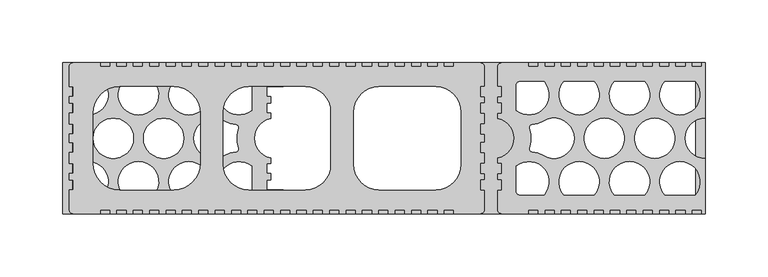
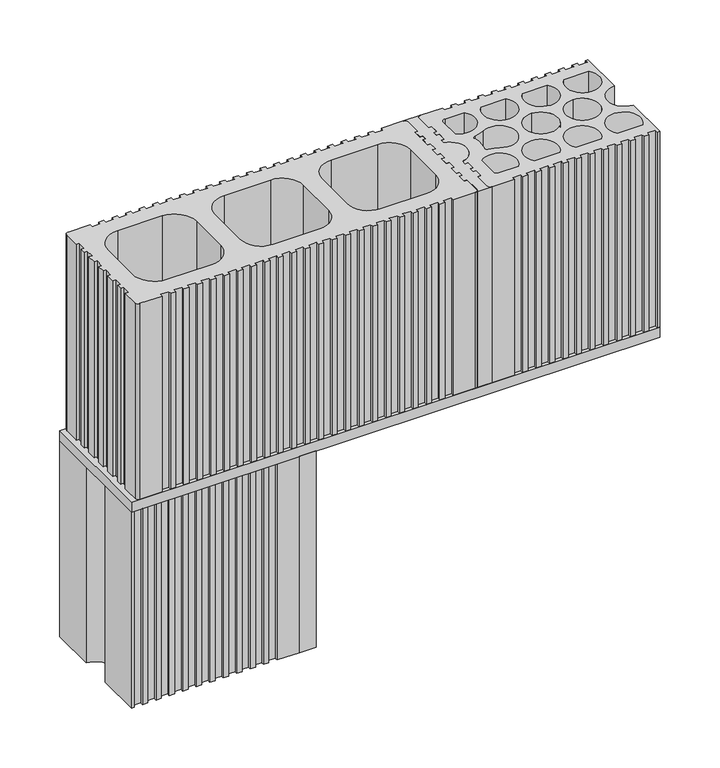
"""IFC4 building model written with IfcOpenShell, lengths in millimetres: plate geometry."""

from ifc_helpers import new_model, si_unit, point, frame, frame_2d, origin, origin_with_axes, place, context, project, spatial, polyline, circle_curve, trimmed, segment, composite_curve, outline, extrude, source, transform, mapped, element, save
from ifc_brep_helpers import plane_surface, cylinder_surface, revolved_surface, advanced_brep


def plate_3e25963e(model_context):
    return source(origin(), model_context, "Body", "SolidModel", [
        advanced_brep(
        [(-89.9998399, -40.9999178, 200.0), (-89.9998399, -56.9998835, 200.0), (-92.9997277, -59.9998788, 200.0), (-76.9999521, -59.9998788, 200.0), (-79.9998399, -56.9998835, 200.0), (-79.9998399, -40.9999178, 200.0), (-89.9998399, -40.9999178, 0.0), (-79.9998399, -40.9999178, 0.0), (-79.9998399, -56.9998835, 0.0), (-76.9999521, -59.9998788, 0.0), (-92.9997277, -59.9998788, 0.0), (-89.9998399, -56.9998835, 0.0)],
        [
            (0, 1),
            (1, 2, circle_curve(frame((-92.9378077, -57.0619088, 200.0), z_axis=(0.0, 0.0, -1.0), x_axis=(1.0, 0.0, 0.0)), 2.9386225)),
            (2, 3),
            (3, 4, circle_curve(frame((-77.0618721, -57.0619088, 200.0), z_axis=(0.0, 0.0, -1.0), x_axis=(1.0, 0.0, 0.0)), 2.9386225)),
            (4, 5),
            (5, 0),
            (6, 7),
            (7, 8),
            (8, 9, circle_curve(frame((-77.0618721, -57.0619088, 0.0), z_axis=(0.0, 0.0, 1.0), x_axis=(1.0, 0.0, 0.0)), 2.9386225)),
            (9, 10),
            (10, 11, circle_curve(frame((-92.9378077, -57.0619088, 0.0), z_axis=(0.0, 0.0, 1.0), x_axis=(1.0, 0.0, 0.0)), 2.9386225)),
            (11, 6),
            (0, 6),
            (11, 1),
            (10, 2),
            (9, 3),
            (8, 4),
            (7, 5),
        ],
        [
            plane_surface(frame((-89.9998399, -56.9998835, 200.0), z_axis=(0.0, 0.0, 1.0), x_axis=(0.0, -1.0, 0.0))),
            plane_surface(frame((-89.9998399, -56.9998835, 0.0), z_axis=(0.0, 0.0, -1.0), x_axis=(0.0, 1.0, 0.0))),
            plane_surface(frame((-89.9998399, -40.9999178, 200.0), z_axis=(-1.0, 0.0, 0.0), x_axis=(0.0, 0.0, -1.0))),
            revolved_surface(polyline([(-89.9991852, -57.0619088, 0.0), (-89.9991852, -57.0619088, 200.0)]), (-92.9378077, -57.0619088, 0.0), (0.0, 0.0, -1.0)),
            plane_surface(frame((-92.9997277, -59.9998788, 200.0), z_axis=(0.0, -1.0, 0.0), x_axis=(0.0, 0.0, -1.0))),
            revolved_surface(polyline([(-74.12324960000001, -57.0619088, 0.0), (-74.12324960000001, -57.0619088, 200.0)]), (-77.0618721, -57.0619088, 0.0), (0.0, 0.0, -1.0)),
            plane_surface(frame((-79.9998399, -56.9998835, 200.0), z_axis=(1.0, 0.0, 0.0), x_axis=(0.0, 0.0, -1.0))),
            plane_surface(frame((-79.9998399, -40.9999178, 200.0), z_axis=(0.0, 1.0, 0.0), x_axis=(0.0, 0.0, -1.0))),
        ],
        [
            (0, [[1, 2, 3, 4, 5, 6]]),
            (1, [[7, 8, 9, 10, 11, 12]]),
            (2, [[-1, 13, -12, 14]]),
            (3, [[-2, -14, -11, 15]]),
            (4, [[-3, -15, -10, 16]]),
            (5, [[-4, -16, -9, 17]]),
            (6, [[-5, -17, -8, 18]]),
            (7, [[-6, -18, -7, -13]]),
        ],
    ),
        advanced_brep(
        [(-79.9998399, 40.9999207, 200.0), (-79.9998399, 56.9998835, 200.0), (-76.999825, 59.9998761, 200.0), (-92.9998548, 59.9998761, 200.0), (-89.9998399, 56.9998835, 200.0), (-89.9998399, 40.9999207, 200.0), (-79.9998399, 40.9999207, 0.0), (-89.9998399, 40.9999207, 0.0), (-89.9998399, 56.9998835, 0.0), (-92.9998548, 59.9998761, 0.0), (-76.999825, 59.9998761, 0.0), (-79.9998399, 56.9998835, 0.0)],
        [
            (0, 1),
            (1, 2, circle_curve(frame((-77.0618721, 57.0619088, 200.0), z_axis=(0.0, 0.0, -1.0), x_axis=(1.0, 0.0, 0.0)), 2.9386225)),
            (2, 3),
            (3, 4, circle_curve(frame((-92.9378077, 57.0619088, 200.0), z_axis=(0.0, 0.0, -1.0), x_axis=(1.0, 0.0, 0.0)), 2.9386225)),
            (4, 5),
            (5, 0),
            (6, 7),
            (7, 8),
            (8, 9, circle_curve(frame((-92.9378077, 57.0619088, 0.0), z_axis=(0.0, 0.0, 1.0), x_axis=(1.0, 0.0, 0.0)), 2.9386225)),
            (9, 10),
            (10, 11, circle_curve(frame((-77.0618721, 57.0619088, 0.0), z_axis=(0.0, 0.0, 1.0), x_axis=(1.0, 0.0, 0.0)), 2.9386225)),
            (11, 6),
            (0, 6),
            (11, 1),
            (10, 2),
            (9, 3),
            (8, 4),
            (7, 5),
        ],
        [
            plane_surface(frame((-89.9998399, -56.9998835, 200.0), z_axis=(0.0, 0.0, 1.0), x_axis=(0.0, -1.0, 0.0))),
            plane_surface(frame((-89.9998399, -56.9998835, 0.0), z_axis=(0.0, 0.0, -1.0), x_axis=(0.0, 1.0, 0.0))),
            plane_surface(frame((-79.9998399, 40.9999207, 200.0), z_axis=(1.0, 0.0, 0.0), x_axis=(0.0, 0.0, -1.0))),
            revolved_surface(polyline([(-74.12324960000001, 57.0619088, 0.0), (-74.12324960000001, 57.0619088, 200.0)]), (-77.0618721, 57.0619088, 0.0), (0.0, 0.0, -1.0)),
            plane_surface(frame((-76.999825, 59.9998761, 200.0), z_axis=(0.0, 1.0, 0.0), x_axis=(0.0, 0.0, -1.0))),
            revolved_surface(polyline([(-89.9991852, 57.0619088, 0.0), (-89.9991852, 57.0619088, 200.0)]), (-92.9378077, 57.0619088, 0.0), (0.0, 0.0, -1.0)),
            plane_surface(frame((-89.9998399, 56.9998835, 200.0), z_axis=(-1.0, 0.0, 0.0), x_axis=(0.0, 0.0, -1.0))),
            plane_surface(frame((-89.9998399, 40.9999207, 200.0), z_axis=(0.0, -1.0, 0.0), x_axis=(0.0, 0.0, -1.0))),
        ],
        [
            (0, [[1, 2, 3, 4, 5, 6]]),
            (1, [[7, 8, 9, 10, 11, 12]]),
            (2, [[-1, 13, -12, 14]]),
            (3, [[-2, -14, -11, 15]]),
            (4, [[-3, -15, -10, 16]]),
            (5, [[-4, -16, -9, 17]]),
            (6, [[-5, -17, -8, 18]]),
            (7, [[-6, -18, -7, -13]]),
        ],
    ),
        extrude(outline(polyline([(-254.9995197, 59.9998801), (254.9995197, 59.9998801), (254.9995197, -59.9998788), (-254.9995197, -59.9998788), (-254.9995197, 59.9998801)]), holes=[polyline([(247.1934492, 44.9999121), (-247.1934394, 44.9999121), (-247.1934394, -44.9999108), (247.1934492, -44.9999108), (247.1934492, 44.9999121)])]), frame((0.0, 0.0, 200.0), z_axis=(0.0, 0.0, 1.0), x_axis=(1.0, 0.0, 0.0)), (0.0, 0.0, 1.0), 10.0),
        advanced_brep(
        [(89.9998399, 40.9999193, 410.0), (89.9998399, 56.9998822, 410.0), (92.9995342, 59.9998815, 410.0), (77.0001456, 59.9998815, 410.0), (79.9998399, 56.9998822, 410.0), (79.9998399, 40.9999193, 410.0), (76.999825, 40.9999193, 410.0), (76.999825, 32.9999342, 410.0), (79.9998399, 32.9999342, 410.0), (79.9998399, 27.9999416, 410.0), (76.999825, 27.9999416, 410.0), (76.999825, 19.9999565, 410.0), (79.9998399, 19.9999565, 410.0), (79.9998399, 11.50004, 410.0), (76.9998302, 11.50004, 410.0), (76.9998302, 3.5000128, 410.0), (79.9998399, 3.5000128, 410.0), (79.9998399, -3.5000128, 410.0), (76.9998302, -3.5000128, 410.0), (76.9998302, -11.5000363, 410.0), (79.9998399, -11.5000363, 410.0), (79.9998399, -19.9999618, 410.0), (76.999825, -19.9999618, 410.0), (76.999825, -27.9999433, 410.0), (79.9998399, -27.9999433, 410.0), (79.9998399, -32.999934, 410.0), (76.999825, -32.999934, 410.0), (76.999825, -40.9999191, 410.0), (79.9998399, -40.9999191, 410.0), (79.9998399, -56.9998849, 410.0), (76.9998878, -59.9998788, 410.0), (92.999792, -59.9998788, 410.0), (89.9998399, -56.9998849, 410.0), (89.9998399, -40.9999191, 410.0), (92.9998548, -40.9999191, 410.0), (92.9998548, -32.999934, 410.0), (89.9998399, -32.999934, 410.0), (89.9998399, -28.0000909, 410.0), (92.9998548, -28.0000909, 410.0), (92.9998548, -19.9999618, 410.0), (89.9998399, -19.9999618, 410.0), (89.9998399, -15.7162058, 410.0), (89.9998399, 15.7162058, 410.0), (89.9998399, 19.9999565, 410.0), (92.9998548, 19.9999565, 410.0), (92.9998548, 27.9999416, 410.0), (89.9998399, 27.9999416, 410.0), (89.9998399, 32.9999342, 410.0), (92.9998548, 32.9999342, 410.0), (92.9998548, 40.9999193, 410.0), (89.9998399, 40.9999193, 210.0), (92.9998548, 40.9999193, 210.0), (92.9998548, 32.9999342, 210.0), (89.9998399, 32.9999342, 210.0), (89.9998399, 27.9999416, 210.0), (92.9998548, 27.9999416, 210.0), (92.9998548, 19.9999565, 210.0), (89.9998399, 19.9999565, 210.0), (89.9998399, 15.7162058, 210.0), (89.9998399, -15.7162058, 210.0), (89.9998399, -19.9999618, 210.0), (92.9998548, -19.9999618, 210.0), (92.9998548, -28.0000909, 210.0), (89.9998399, -28.0000909, 210.0), (89.9998399, -32.999934, 210.0), (92.9998548, -32.999934, 210.0), (92.9998548, -40.9999191, 210.0), (89.9998399, -40.9999191, 210.0), (89.9998399, -56.9998849, 210.0), (92.999792, -59.9998788, 210.0), (76.9998878, -59.9998788, 210.0), (79.9998399, -56.9998849, 210.0), (79.9998399, -40.9999191, 210.0), (76.999825, -40.9999191, 210.0), (76.999825, -32.999934, 210.0), (79.9998399, -32.999934, 210.0), (79.9998399, -27.9999433, 210.0), (76.999825, -27.9999433, 210.0), (76.999825, -19.9999618, 210.0), (79.9998399, -19.9999618, 210.0), (79.9998399, -11.5000363, 210.0), (76.9998302, -11.5000363, 210.0), (76.9998302, -3.5000128, 210.0), (79.9998399, -3.5000128, 210.0), (79.9998399, 3.5000128, 210.0), (76.9998302, 3.5000128, 210.0), (76.9998302, 11.50004, 210.0), (79.9998399, 11.50004, 210.0), (79.9998399, 19.9999565, 210.0), (76.999825, 19.9999565, 210.0), (76.999825, 27.9999416, 210.0), (79.9998399, 27.9999416, 210.0), (79.9998399, 32.9999342, 210.0), (76.999825, 32.9999342, 210.0), (76.999825, 40.9999193, 210.0), (79.9998399, 40.9999193, 210.0), (79.9998399, 56.9998822, 210.0), (77.0001456, 59.9998815, 210.0), (92.9995342, 59.9998815, 210.0), (89.9998399, 56.9998822, 210.0)],
        [
            (0, 1),
            (1, 2, circle_curve(frame((92.9378077, 57.0619074, 410.0), z_axis=(0.0, 0.0, -1.0), x_axis=(0.0, 1.0, 0.0)), 2.9386225)),
            (2, 3),
            (3, 4, circle_curve(frame((77.0618721, 57.0619074, 410.0), z_axis=(0.0, 0.0, -1.0), x_axis=(0.0, 1.0, 0.0)), 2.9386225)),
            (4, 5),
            (5, 6),
            (6, 7),
            (7, 8),
            (8, 9),
            (9, 10),
            (10, 11),
            (11, 12),
            (12, 13),
            (13, 14),
            (14, 15),
            (15, 16),
            (16, 17),
            (17, 18),
            (18, 19),
            (19, 20),
            (20, 21),
            (21, 22),
            (22, 23),
            (23, 24),
            (24, 25),
            (25, 26),
            (26, 27),
            (27, 28),
            (28, 29),
            (29, 30, circle_curve(frame((77.0618721, -57.0619101, 410.0), z_axis=(0.0, 0.0, -1.0), x_axis=(0.0, 1.0, 0.0)), 2.9386225)),
            (30, 31),
            (31, 32, circle_curve(frame((92.9378077, -57.0619101, 410.0), z_axis=(0.0, 0.0, -1.0), x_axis=(0.0, 1.0, 0.0)), 2.9386225)),
            (32, 33),
            (33, 34),
            (34, 35),
            (35, 36),
            (36, 37),
            (37, 38),
            (38, 39),
            (39, 40),
            (40, 41),
            (41, 42, circle_curve(frame((86.9998574, 0.0, 410.0), z_axis=(0.0, 0.0, 1.0), x_axis=(0.0, 1.0, 0.0)), 15.9999693)),
            (42, 43),
            (43, 44),
            (44, 45),
            (45, 46),
            (46, 47),
            (47, 48),
            (48, 49),
            (49, 0),
            (50, 51),
            (51, 52),
            (52, 53),
            (53, 54),
            (54, 55),
            (55, 56),
            (56, 57),
            (57, 58),
            (58, 59, circle_curve(frame((86.9998574, 0.0, 210.0), z_axis=(0.0, 0.0, -1.0), x_axis=(0.0, 1.0, 0.0)), 15.9999693)),
            (59, 60),
            (60, 61),
            (61, 62),
            (62, 63),
            (63, 64),
            (64, 65),
            (65, 66),
            (66, 67),
            (67, 68),
            (68, 69, circle_curve(frame((92.9378077, -57.0619101, 210.0), z_axis=(0.0, 0.0, 1.0), x_axis=(0.0, 1.0, 0.0)), 2.9386225)),
            (69, 70),
            (70, 71, circle_curve(frame((77.0618721, -57.0619101, 210.0), z_axis=(0.0, 0.0, 1.0), x_axis=(0.0, 1.0, 0.0)), 2.9386225)),
            (71, 72),
            (72, 73),
            (73, 74),
            (74, 75),
            (75, 76),
            (76, 77),
            (77, 78),
            (78, 79),
            (79, 80),
            (80, 81),
            (81, 82),
            (82, 83),
            (83, 84),
            (84, 85),
            (85, 86),
            (86, 87),
            (87, 88),
            (88, 89),
            (89, 90),
            (90, 91),
            (91, 92),
            (92, 93),
            (93, 94),
            (94, 95),
            (95, 96),
            (96, 97, circle_curve(frame((77.0618721, 57.0619074, 210.0), z_axis=(0.0, 0.0, 1.0), x_axis=(0.0, 1.0, 0.0)), 2.9386225)),
            (97, 98),
            (98, 99, circle_curve(frame((92.9378077, 57.0619074, 210.0), z_axis=(0.0, 0.0, 1.0), x_axis=(0.0, 1.0, 0.0)), 2.9386225)),
            (99, 50),
            (0, 50),
            (99, 1),
            (2, 98),
            (97, 3),
            (4, 96),
            (95, 5),
            (28, 72),
            (71, 29),
            (30, 70),
            (69, 31),
            (32, 68),
            (67, 33),
            (94, 6),
            (93, 7),
            (92, 8),
            (91, 9),
            (90, 10),
            (89, 11),
            (88, 12),
            (87, 13),
            (20, 80),
            (79, 21),
            (78, 22),
            (77, 23),
            (76, 24),
            (75, 25),
            (74, 26),
            (73, 27),
            (66, 34),
            (65, 35),
            (64, 36),
            (63, 37),
            (62, 38),
            (61, 39),
            (60, 40),
            (59, 41),
            (58, 42),
            (57, 43),
            (56, 44),
            (55, 45),
            (54, 46),
            (53, 47),
            (52, 48),
            (51, 49),
            (86, 14),
            (85, 15),
            (84, 16),
            (83, 17),
            (82, 18),
            (81, 19),
        ],
        [
            plane_surface(frame((89.9998399, 47.1241744, 410.0), z_axis=(0.0, 0.0, 1.0), x_axis=(0.0, 1.0, 0.0))),
            plane_surface(frame((89.9998399, 47.1241744, 210.0), z_axis=(0.0, 0.0, -1.0), x_axis=(0.0, -1.0, 0.0))),
            plane_surface(frame((89.9998399, 40.9999193, 410.0), z_axis=(1.0, 0.0, 0.0), x_axis=(0.0, 0.0, -1.0))),
            plane_surface(frame((92.9995342, 59.9998815, 410.0), z_axis=(0.0, 1.0, 0.0), x_axis=(0.0, 0.0, -1.0))),
            plane_surface(frame((79.9998399, 56.9998822, 410.0), z_axis=(-1.0, 0.0, 0.0), x_axis=(0.0, 0.0, -1.0))),
            plane_surface(frame((79.9998399, -40.9999191, 410.0), z_axis=(-1.0, 0.0, 0.0), x_axis=(0.0, 0.0, -1.0))),
            plane_surface(frame((76.9998878, -59.9998788, 410.0), z_axis=(0.0, -1.0, 0.0), x_axis=(0.0, 0.0, -1.0))),
            plane_surface(frame((89.9998399, -56.9998849, 410.0), z_axis=(1.0, 0.0, 0.0), x_axis=(0.0, 0.0, -1.0))),
            revolved_surface(polyline([(92.9378077, 60.000529900000004, 210.0), (92.9378077, 60.000529900000004, 410.0)]), (92.9378077, 57.0619074, 210.0), (0.0, 0.0, -1.0)),
            revolved_surface(polyline([(77.0618721, 60.000529900000004, 210.0), (77.0618721, 60.000529900000004, 410.0)]), (77.0618721, 57.0619074, 210.0), (0.0, 0.0, -1.0)),
            revolved_surface(polyline([(77.0618721, -54.1232876, 210.0), (77.0618721, -54.1232876, 410.0)]), (77.0618721, -57.0619101, 210.0), (0.0, 0.0, -1.0)),
            revolved_surface(polyline([(92.9378077, -54.1232876, 210.0), (92.9378077, -54.1232876, 410.0)]), (92.9378077, -57.0619101, 210.0), (0.0, 0.0, -1.0)),
            plane_surface(frame((79.9998399, 40.9999193, 410.0), z_axis=(0.0, 1.0, 0.0), x_axis=(0.0, 0.0, -1.0))),
            plane_surface(frame((76.999825, 40.9999193, 410.0), z_axis=(-1.0, 0.0, 0.0), x_axis=(0.0, 0.0, -1.0))),
            plane_surface(frame((76.999825, 32.9999342, 410.0), z_axis=(0.0, -1.0, 0.0), x_axis=(0.0, 0.0, -1.0))),
            plane_surface(frame((79.9998399, 32.9999342, 410.0), z_axis=(-1.0, 0.0, 0.0), x_axis=(0.0, 0.0, -1.0))),
            plane_surface(frame((79.9998399, 27.9999416, 410.0), z_axis=(0.0, 1.0, 0.0), x_axis=(0.0, 0.0, -1.0))),
            plane_surface(frame((76.999825, 27.9999416, 410.0), z_axis=(-1.0, 0.0, 0.0), x_axis=(0.0, 0.0, -1.0))),
            plane_surface(frame((76.999825, 19.9999565, 410.0), z_axis=(0.0, -1.0, 0.0), x_axis=(0.0, 0.0, -1.0))),
            plane_surface(frame((79.9998399, 19.9999565, 410.0), z_axis=(-1.0, 0.0, 0.0), x_axis=(0.0, 0.0, -1.0))),
            plane_surface(frame((79.9998399, -11.5000363, 410.0), z_axis=(-1.0, 0.0, 0.0), x_axis=(0.0, 0.0, -1.0))),
            plane_surface(frame((79.9998399, -19.9999618, 410.0), z_axis=(0.0, 1.0, 0.0), x_axis=(0.0, 0.0, -1.0))),
            plane_surface(frame((76.999825, -19.9999618, 410.0), z_axis=(-1.0, 0.0, 0.0), x_axis=(0.0, 0.0, -1.0))),
            plane_surface(frame((76.999825, -27.9999433, 410.0), z_axis=(0.0, -1.0, 0.0), x_axis=(0.0, 0.0, -1.0))),
            plane_surface(frame((79.9998399, -27.9999433, 410.0), z_axis=(-1.0, 0.0, 0.0), x_axis=(0.0, 0.0, -1.0))),
            plane_surface(frame((79.9998399, -32.999934, 410.0), z_axis=(0.0, 1.0, 0.0), x_axis=(0.0, 0.0, -1.0))),
            plane_surface(frame((76.999825, -32.999934, 410.0), z_axis=(-1.0, 0.0, 0.0), x_axis=(0.0, 0.0, -1.0))),
            plane_surface(frame((76.999825, -40.9999191, 410.0), z_axis=(0.0, -1.0, 0.0), x_axis=(0.0, 0.0, -1.0))),
            plane_surface(frame((89.9998399, -40.9999191, 410.0), z_axis=(0.0, -1.0, 0.0), x_axis=(0.0, 0.0, -1.0))),
            plane_surface(frame((92.9998548, -40.9999191, 410.0), z_axis=(1.0, 0.0, 0.0), x_axis=(0.0, 0.0, -1.0))),
            plane_surface(frame((92.9998548, -32.999934, 410.0), z_axis=(0.0, 1.0, 0.0), x_axis=(0.0, 0.0, -1.0))),
            plane_surface(frame((89.9998399, -32.999934, 410.0), z_axis=(1.0, 0.0, 0.0), x_axis=(0.0, 0.0, -1.0))),
            plane_surface(frame((89.9998399, -28.0000909, 410.0), z_axis=(0.0, -1.0, 0.0), x_axis=(0.0, 0.0, -1.0))),
            plane_surface(frame((92.9998548, -28.0000909, 410.0), z_axis=(1.0, 0.0, 0.0), x_axis=(0.0, 0.0, -1.0))),
            plane_surface(frame((92.9998548, -19.9999618, 410.0), z_axis=(0.0, 1.0, 0.0), x_axis=(0.0, 0.0, -1.0))),
            plane_surface(frame((89.9998399, -19.9999618, 410.0), z_axis=(1.0, 0.0, 0.0), x_axis=(0.0, 0.0, -1.0))),
            cylinder_surface(frame((86.9998574, 0.0, 210.0), z_axis=(0.0, 0.0, 1.0), x_axis=(0.0, 1.0, 0.0)), 15.9999693),
            plane_surface(frame((89.9998399, 15.7162058, 410.0), z_axis=(1.0, 0.0, 0.0), x_axis=(0.0, 0.0, -1.0))),
            plane_surface(frame((89.9998399, 19.9999565, 410.0), z_axis=(0.0, -1.0, 0.0), x_axis=(0.0, 0.0, -1.0))),
            plane_surface(frame((92.9998548, 19.9999565, 410.0), z_axis=(1.0, 0.0, 0.0), x_axis=(0.0, 0.0, -1.0))),
            plane_surface(frame((92.9998548, 27.9999416, 410.0), z_axis=(0.0, 1.0, 0.0), x_axis=(0.0, 0.0, -1.0))),
            plane_surface(frame((89.9998399, 27.9999416, 410.0), z_axis=(1.0, 0.0, 0.0), x_axis=(0.0, 0.0, -1.0))),
            plane_surface(frame((89.9998399, 32.9999342, 410.0), z_axis=(0.0, -1.0, 0.0), x_axis=(0.0, 0.0, -1.0))),
            plane_surface(frame((92.9998548, 32.9999342, 410.0), z_axis=(1.0, 0.0, 0.0), x_axis=(0.0, 0.0, -1.0))),
            plane_surface(frame((92.9998548, 40.9999193, 410.0), z_axis=(0.0, 1.0, 0.0), x_axis=(0.0, 0.0, -1.0))),
            plane_surface(frame((79.9998399, 11.50004, 410.0), z_axis=(0.0, 1.0, 0.0), x_axis=(0.0, 0.0, -1.0))),
            plane_surface(frame((76.9998302, 11.50004, 410.0), z_axis=(-1.0, 0.0, 0.0), x_axis=(0.0, 0.0, -1.0))),
            plane_surface(frame((76.9998302, 3.5000128, 410.0), z_axis=(0.0, -1.0, 0.0), x_axis=(0.0, 0.0, -1.0))),
            plane_surface(frame((79.9998399, 3.5000128, 410.0), z_axis=(-1.0, 0.0, 0.0), x_axis=(0.0, 0.0, -1.0))),
            plane_surface(frame((79.9998399, -3.5000128, 410.0), z_axis=(0.0, 1.0, 0.0), x_axis=(0.0, 0.0, -1.0))),
            plane_surface(frame((76.9998302, -3.5000128, 410.0), z_axis=(-1.0, 0.0, 0.0), x_axis=(0.0, 0.0, -1.0))),
            plane_surface(frame((76.9998302, -11.5000363, 410.0), z_axis=(0.0, -1.0, 0.0), x_axis=(0.0, 0.0, -1.0))),
        ],
        [
            (0, [[1, 2, 3, 4, 5, 6, 7, 8, 9, 10, 11, 12, 13, 14, 15, 16, 17, 18, 19, 20, 21, 22, 23, 24, 25, 26, 27, 28, 29, 30, 31, 32, 33, 34, 35, 36, 37, 38, 39, 40, 41, 42, 43, 44, 45, 46, 47, 48, 49, 50]]),
            (1, [[51, 52, 53, 54, 55, 56, 57, 58, 59, 60, 61, 62, 63, 64, 65, 66, 67, 68, 69, 70, 71, 72, 73, 74, 75, 76, 77, 78, 79, 80, 81, 82, 83, 84, 85, 86, 87, 88, 89, 90, 91, 92, 93, 94, 95, 96, 97, 98, 99, 100]]),
            (2, [[-1, 101, -100, 102]]),
            (3, [[-3, 103, -98, 104]]),
            (4, [[-5, 105, -96, 106]]),
            (5, [[-29, 107, -72, 108]]),
            (6, [[-31, 109, -70, 110]]),
            (7, [[-33, 111, -68, 112]]),
            (8, [[-2, -102, -99, -103]]),
            (9, [[-4, -104, -97, -105]]),
            (10, [[-30, -108, -71, -109]]),
            (11, [[-32, -110, -69, -111]]),
            (12, [[-6, -106, -95, 113]]),
            (13, [[-7, -113, -94, 114]]),
            (14, [[-8, -114, -93, 115]]),
            (15, [[-9, -115, -92, 116]]),
            (16, [[-10, -116, -91, 117]]),
            (17, [[-11, -117, -90, 118]]),
            (18, [[-12, -118, -89, 119]]),
            (19, [[-13, -119, -88, 120]]),
            (20, [[-21, 121, -80, 122]]),
            (21, [[-22, -122, -79, 123]]),
            (22, [[-23, -123, -78, 124]]),
            (23, [[-24, -124, -77, 125]]),
            (24, [[-25, -125, -76, 126]]),
            (25, [[-26, -126, -75, 127]]),
            (26, [[-27, -127, -74, 128]]),
            (27, [[-28, -128, -73, -107]]),
            (28, [[-34, -112, -67, 129]]),
            (29, [[-35, -129, -66, 130]]),
            (30, [[-36, -130, -65, 131]]),
            (31, [[-37, -131, -64, 132]]),
            (32, [[-38, -132, -63, 133]]),
            (33, [[-39, -133, -62, 134]]),
            (34, [[-40, -134, -61, 135]]),
            (35, [[-41, -135, -60, 136]]),
            (36, [[-42, -136, -59, 137]]),
            (37, [[-43, -137, -58, 138]]),
            (38, [[-44, -138, -57, 139]]),
            (39, [[-45, -139, -56, 140]]),
            (40, [[-46, -140, -55, 141]]),
            (41, [[-47, -141, -54, 142]]),
            (42, [[-48, -142, -53, 143]]),
            (43, [[-49, -143, -52, 144]]),
            (44, [[-50, -144, -51, -101]]),
            (45, [[-14, -120, -87, 145]]),
            (46, [[-15, -145, -86, 146]]),
            (47, [[-16, -146, -85, 147]]),
            (48, [[-17, -147, -84, 148]]),
            (49, [[-18, -148, -83, 149]]),
            (50, [[-19, -149, -82, 150]]),
            (51, [[-20, -150, -81, -121]]),
        ],
    ),
        extrude(outline(composite_curve([segment(trimmed(circle_curve(frame_2d((92.9378077, -57.0619101)), 2.9386225), [point((92.9997277, -59.9998801))], [point((89.9998399, -56.9998849))], False, "CARTESIAN"), True, "CONTINUOUS"), segment(polyline([(89.9998399, -56.9998849), (89.9998399, -40.9999191), (92.9998548, -40.9999191), (92.9998548, -32.999934), (89.9998399, -32.999934), (89.9998399, -28.0000909), (92.9998548, -28.0000909), (92.9998548, -19.9999618), (89.9998399, -19.9999618), (89.9998399, -15.7162058)]), True, "CONTINUOUS"), segment(trimmed(circle_curve(frame_2d((86.9998574, 0.0)), 15.9999693), [point((89.9998399, -15.7162058))], [point((89.9998399, 15.7162058))], True, "CARTESIAN"), True, "CONTINUOUS"), segment(polyline([(89.9998399, 15.7162058), (89.9998399, 19.9999565), (92.9998548, 19.9999565), (92.9998548, 27.9999416), (89.9998399, 27.9999416), (89.9998399, 32.9999342), (92.9998548, 32.9999342), (92.9998548, 40.9999193), (89.9998399, 40.9999193), (89.9998399, 56.9998822)]), True, "CONTINUOUS"), segment(trimmed(circle_curve(frame_2d((92.9378077, 57.0619074)), 2.9386225), [point((89.9998399, 56.9998822))], [point((92.9998548, 59.9998747))], False, "CARTESIAN"), True, "CONTINUOUS"), segment(polyline([(92.9998548, 59.9998747), (114.4998029, 59.9998747), (114.4998029, 56.9998862), (122.4997862, 56.9998862), (122.4997862, 59.9998801), (127.4997787, 59.9998801), (127.4997787, 56.9998862), (135.4997602, 56.9998862), (135.4997602, 59.9998801), (140.4997527, 59.9998801), (140.4997527, 56.9998862), (148.4997342, 56.9998862), (148.4997342, 59.9998801), (153.4997267, 59.9998801), (153.4997267, 56.9998862), (161.4997119, 56.9998862), (161.4997119, 59.9998801), (166.499697, 59.9998801), (166.499697, 56.9998862), (174.4996822, 56.9998862), (174.4996822, 59.9998801), (179.4996748, 59.9998801), (179.4996748, 56.9998862), (187.4996525, 56.9998862), (187.4996525, 59.9998801), (192.499645, 59.9998801), (192.499645, 56.9998862), (200.4996302, 56.9998862), (200.4996302, 59.9998801), (205.4996228, 59.9998801), (205.4996228, 56.9998862), (213.4996005, 56.9998862), (213.4996005, 59.9998801), (218.4995931, 59.9998801), (218.4995931, 56.9998862), (226.4995782, 56.9998862), (226.4995782, 59.9998801), (231.4995633, 59.9998801), (231.4995633, 56.9998862), (239.4995485, 56.9998862), (239.4995485, 59.9998801), (244.4995336, 59.9998801), (244.4995336, 56.9998862), (252.4995188, 56.9998862), (252.4995188, 59.9998801), (254.9995197, 59.9998801), (254.9995197, 15.9999663)]), True, "CONTINUOUS"), segment(trimmed(circle_curve(frame_2d((254.9995188, 0.0)), 15.9999663), [point((254.9995197, 15.9999663))], [point((254.9995188, -15.9999663))], True, "CARTESIAN"), True, "CONTINUOUS"), segment(polyline([(254.9995188, -15.9999663), (254.9995188, -59.9998801), (252.4995188, -59.9998801), (252.4995188, -56.9998862), (244.4995336, -56.9998862), (244.4995336, -59.9998801), (239.4995485, -59.9998801), (239.4995485, -56.9998862), (231.4995633, -56.9998862), (231.4995633, -59.9998801), (226.4995782, -59.9998801), (226.4995782, -56.9998862), (218.4995931, -56.9998862), (218.4995931, -59.9998801), (213.4996005, -59.9998801), (213.4996005, -56.9998862), (205.4996228, -56.9998862), (205.4996228, -59.9998801), (200.4996302, -59.9998801), (200.4996302, -56.9998862), (192.499645, -56.9998862), (192.499645, -59.9998801), (187.4996525, -59.9998801), (187.4996525, -56.9998862), (179.4996748, -56.9998862), (179.4996748, -59.9998801), (174.4996822, -59.9998801), (174.4996822, -56.9998862), (166.499697, -56.9998862), (166.499697, -59.9998801), (161.4997119, -59.9998801), (161.4997119, -56.9998862), (153.4997267, -56.9998862), (153.4997267, -59.9998801), (148.4997342, -59.9998801), (148.4997342, -56.9998862), (140.4997527, -56.9998862), (140.4997527, -59.9998801), (135.4997602, -59.9998801), (135.4997602, -56.9998862), (127.4997787, -56.9998862), (127.4997787, -59.9998801), (122.4997862, -59.9998801), (122.4997862, -56.9998862), (114.4998029, -56.9998862), (114.4998029, -59.9998801), (92.9997277, -59.9998801)]), True, "CONTINUOUS")], self_intersect=False), holes=[composite_curve([segment(trimmed(circle_curve(frame_2d((117.7691773, -8.7889102)), 1.999996), [point((115.8460949, -8.2396034))], [point((117.5561484, -10.7775285))], True, "CARTESIAN"), True, "CONTINUOUS"), segment(trimmed(circle_curve(frame_2d((114.9998025, -34.6409475)), 23.9999515), [point((117.5561484, -10.7775285))], [point((126.9997783, -13.8563798))], False, "CARTESIAN"), True, "CONTINUOUS"), segment(trimmed(circle_curve(frame_2d((134.9997621, -1.4e-06)), 15.9999677), [point((126.9997783, -13.8563798))], [point((126.9997783, 13.8563771))], True, "CARTESIAN"), True, "CONTINUOUS"), segment(trimmed(circle_curve(frame_2d((114.9998025, 34.6409448)), 23.9999515), [point((126.9997783, 13.8563771))], [point((117.5561484, 10.7775258))], False, "CARTESIAN"), True, "CONTINUOUS"), segment(trimmed(circle_curve(frame_2d((117.7691773, 8.7889075)), 1.999996), [point((117.5561484, 10.7775258))], [point((115.8460949, 8.2396007))], True, "CARTESIAN"), True, "CONTINUOUS"), segment(trimmed(circle_curve(frame_2d((86.9998591, -1.4e-06)), 29.9999394), [point((115.8460949, 8.2396007))], [point((115.8460949, -8.2396034))], False, "CARTESIAN"), True, "CONTINUOUS")], self_intersect=False), composite_curve([segment(polyline([(127.1936889, 44.9999081), (107.9998155, 44.9999081)]), True, "CONTINUOUS"), segment(trimmed(circle_curve(frame_2d((107.9998155, 41.9999176)), 2.9999904), [point((107.9998155, 44.9999081))], [point((104.9998251, 41.9999176))], True, "CARTESIAN"), True, "CONTINUOUS"), segment(polyline([(104.9998251, 41.9999176), (104.9998251, 22.1509747)]), True, "CONTINUOUS"), segment(trimmed(circle_curve(frame_2d((115.0005563, 34.6402144)), 15.9998667), [point((104.9998251, 22.1509747))], [point((127.1936889, 44.9999081))], True, "CARTESIAN"), True, "CONTINUOUS")], self_intersect=False), composite_curve([segment(polyline([(104.9998251, -22.1509774), (104.9998251, -41.9999203)]), True, "CONTINUOUS"), segment(trimmed(circle_curve(frame_2d((107.9998155, -41.9999203)), 2.9999904), [point((104.9998251, -41.9999203))], [point((107.9998155, -44.9999108))], True, "CARTESIAN"), True, "CONTINUOUS"), segment(polyline([(107.9998155, -44.9999108), (127.1936889, -44.9999108)]), True, "CONTINUOUS"), segment(trimmed(circle_curve(frame_2d((115.0005563, -34.6402171)), 15.9998667), [point((127.1936889, -44.9999108))], [point((104.9998251, -22.1509774))], True, "CARTESIAN"), True, "CONTINUOUS")], self_intersect=False), composite_curve([segment(trimmed(circle_curve(frame_2d((154.9997349, -34.6228668)), 16.0116774), [point((167.1936175, -44.9999108))], [point((142.8058523, -44.9999108))], True, "CARTESIAN"), True, "CONTINUOUS"), segment(polyline([(142.8058523, -44.9999108), (167.1936175, -44.9999108)]), True, "CONTINUOUS")], self_intersect=False), composite_curve([segment(trimmed(circle_curve(frame_2d((194.9996508, -34.6228668)), 16.0116774), [point((207.1935334, -44.9999108))], [point((182.8057682, -44.9999108))], True, "CARTESIAN"), True, "CONTINUOUS"), segment(polyline([(182.8057682, -44.9999108), (207.1935334, -44.9999108)]), True, "CONTINUOUS")], self_intersect=False), composite_curve([segment(trimmed(circle_curve(frame_2d((234.9995667, -34.6228668)), 16.0116774), [point((247.1934492, -44.9999108))], [point((222.8056841, -44.9999108))], True, "CARTESIAN"), True, "CONTINUOUS"), segment(polyline([(222.8056841, -44.9999108), (247.1934492, -44.9999108)]), True, "CONTINUOUS")], self_intersect=False), composite_curve([segment(trimmed(circle_curve(frame_2d((174.9996813, -1.4e-06)), 15.9999677), [point((174.9996813, -15.999969))], [point((174.9996813, 15.9999663))], True, "CARTESIAN"), True, "CONTINUOUS"), segment(trimmed(circle_curve(frame_2d((174.9996813, -1.4e-06)), 15.9999677), [point((174.9996813, 15.9999663))], [point((174.9996813, -15.999969))], True, "CARTESIAN"), True, "CONTINUOUS")], self_intersect=False), composite_curve([segment(trimmed(circle_curve(frame_2d((214.9996005, -1.4e-06)), 15.9999677), [point((214.9996005, -15.999969))], [point((214.9996005, 15.9999663))], True, "CARTESIAN"), True, "CONTINUOUS"), segment(trimmed(circle_curve(frame_2d((214.9996005, -1.4e-06)), 15.9999677), [point((214.9996005, 15.9999663))], [point((214.9996005, -15.999969))], True, "CARTESIAN"), True, "CONTINUOUS")], self_intersect=False), composite_curve([segment(polyline([(247.1934492, 44.9999108), (222.8056841, 44.9999108)]), True, "CONTINUOUS"), segment(trimmed(circle_curve(frame_2d((234.9995667, 34.6228668)), 16.0116774), [point((222.8056841, 44.9999108))], [point((247.1934492, 44.9999108))], True, "CARTESIAN"), True, "CONTINUOUS")], self_intersect=False), composite_curve([segment(polyline([(207.1935334, 44.9999108), (182.8057682, 44.9999108)]), True, "CONTINUOUS"), segment(trimmed(circle_curve(frame_2d((194.9996508, 34.6228668)), 16.0116774), [point((182.8057682, 44.9999108))], [point((207.1935334, 44.9999108))], True, "CARTESIAN"), True, "CONTINUOUS")], self_intersect=False), composite_curve([segment(polyline([(167.1936175, 44.9999108), (142.8058523, 44.9999108)]), True, "CONTINUOUS"), segment(trimmed(circle_curve(frame_2d((154.9997349, 34.6228668)), 16.0116774), [point((142.8058523, 44.9999108))], [point((167.1936175, 44.9999108))], True, "CARTESIAN"), True, "CONTINUOUS")], self_intersect=False)]), frame((0.0, 0.0, 210.0), z_axis=(0.0, 0.0, 1.0), x_axis=(1.0, 0.0, 0.0)), (0.0, 0.0, 1.0), 200.0),
        extrude(outline(composite_curve([segment(polyline([(-225.5011539, -60.0001945), (-247.0012227, -60.0001945)]), True, "CONTINUOUS"), segment(trimmed(circle_curve(frame_2d((-247.0012227, -57.0001848)), 3.0000097), [point((-247.0012227, -60.0001945))], [point((-250.0012324, -57.0001848))], False, "CARTESIAN"), True, "CONTINUOUS"), segment(polyline([(-250.0012324, -57.0001848), (-250.0012324, -41.0001337), (-247.0012227, -41.0001337), (-247.0012227, -33.0001065), (-250.0012324, -33.0001065), (-250.0012324, -28.0000895), (-247.0012227, -28.0000895), (-247.0012227, -20.0000661), (-250.0012324, -20.0000661), (-250.0012324, -11.5000363), (-247.0012227, -11.5000363), (-247.0012227, -3.5000128), (-250.0012324, -3.5000128), (-250.0012324, 3.5000128), (-247.0012227, 3.5000128), (-247.0012227, 11.50004), (-250.0012324, 11.50004), (-250.0012324, 20.0000623), (-247.0012227, 20.0000623), (-247.0012227, 28.0000895), (-250.0012324, 28.0000895), (-250.0012324, 33.0001084), (-247.0012227, 33.0001084), (-247.0012227, 41.0001355), (-250.0012324, 41.0001355), (-250.0012324, 57.0001856)]), True, "CONTINUOUS"), segment(trimmed(circle_curve(frame_2d((-247.0012273, 57.0001856)), 3.0000051), [point((-250.0012324, 57.0001856))], [point((-247.0012273, 60.0001907))], False, "CARTESIAN"), True, "CONTINUOUS"), segment(polyline([(-247.0012273, 60.0001907), (-225.5011539, 60.0001907), (-225.5011539, 57.000181), (-217.5011286, 57.000181), (-217.5011286, 60.0001907), (-212.5011097, 60.0001907), (-212.5011097, 57.000181), (-204.5010863, 57.000181), (-204.5010863, 60.0001907), (-199.5010675, 60.0001907), (-199.5010675, 57.000181), (-191.501044, 57.000181), (-191.501044, 60.0001907), (-186.5010252, 60.0001907), (-186.5010252, 57.000181), (-178.500998, 57.000181), (-178.500998, 60.0001907), (-173.5009866, 60.0001907), (-173.5009866, 57.000181), (-165.5009594, 57.000181), (-165.5009594, 60.0001907), (-160.5009406, 60.0001907), (-160.5009406, 57.000181), (-152.5009209, 57.000181), (-152.5009209, 60.0001907), (-147.500902, 60.0001907), (-147.500902, 57.000181), (-139.5008749, 57.000181), (-139.5008749, 60.0001907), (-134.500856, 60.0001907), (-134.500856, 57.000181), (-126.5008363, 57.000181), (-126.5008363, 60.0001907), (-121.5008174, 60.0001907), (-121.5008174, 57.000181), (-113.5007903, 57.000181), (-113.5007903, 60.0001907), (-108.5007789, 60.0001907), (-108.5007789, 57.000181), (-100.5007517, 57.000181), (-100.5007517, 60.0001907), (-95.5007403, 60.0001907), (-95.5007403, 57.000181), (-87.5007131, 57.000181), (-87.5007131, 60.0001907), (-82.5006869, 60.0001907), (-82.5006869, 57.000181), (-74.5006597, 57.000181), (-74.5006597, 60.0001907), (-69.5006483, 60.0001907), (-69.5006483, 57.000181), (-61.5006211, 57.000181), (-61.5006211, 60.0001907), (-56.5006097, 60.0001907), (-56.5006097, 57.000181), (-48.5005826, 57.000181), (-48.5005826, 60.0001907), (-43.5005712, 60.0001907), (-43.5005712, 57.000181), (-35.500544, 57.000181), (-35.500544, 60.0001907), (-30.5005177, 60.0001907), (-30.5005177, 57.000181), (-22.5004905, 57.000181), (-22.5004905, 60.0001907), (-17.5004791, 60.0001907), (-17.5004791, 57.000181), (-9.500452, 57.000181), (-9.500452, 60.0001907), (-4.5004406, 60.0001907), (-4.5004406, 57.000181), (3.4996015, 57.000181), (3.4996015, 60.0001907), (8.4996129, 60.0001907), (8.4996129, 57.000181), (16.4996252, 57.000181), (16.4996252, 60.0001907), (21.4996366, 60.0001907), (21.4996366, 57.000181), (29.4996786, 57.000181), (29.4996786, 60.0001907), (34.49969, 60.0001907), (34.49969, 57.000181), (42.4997023, 57.000181), (42.4997023, 60.0001907), (47.4997435, 60.0001907), (47.4997435, 57.000181), (55.4997558, 57.000181), (55.4997558, 60.0001907), (76.9998348, 60.0001907)]), True, "CONTINUOUS"), segment(trimmed(circle_curve(frame_2d((76.9998348, 57.0001856)), 3.0000051), [point((76.9998348, 60.0001907))], [point((79.9998399, 57.0001856))], False, "CARTESIAN"), True, "CONTINUOUS"), segment(polyline([(79.9998399, 57.0001856), (79.9998399, 41.0001355), (76.9998302, 41.0001355), (76.9998302, 33.0001084), (79.9998399, 33.0001084), (79.9998399, 28.0000895), (76.9998302, 28.0000895), (76.9998302, 20.0000623), (79.9998399, 20.0000623), (79.9998399, 11.50004), (76.9998302, 11.50004), (76.9998302, 3.5000128), (79.9998399, 3.5000128), (79.9998399, -3.5000128), (76.9998302, -3.5000128), (76.9998302, -11.5000363), (79.9998399, -11.5000363), (79.9998399, -20.0000661), (76.9998302, -20.0000661), (76.9998302, -28.0000895), (79.9998399, -28.0000895), (79.9998399, -33.0001065), (76.9998302, -33.0001065), (76.9998302, -41.0001337), (79.9998399, -41.0001337), (79.9998399, -57.0001848)]), True, "CONTINUOUS"), segment(trimmed(circle_curve(frame_2d((76.9998302, -57.0001848)), 3.0000097), [point((79.9998399, -57.0001848))], [point((76.9998302, -60.0001945))], False, "CARTESIAN"), True, "CONTINUOUS"), segment(polyline([(76.9998302, -60.0001945), (55.4997558, -60.0001945), (55.4997558, -57.0001847), (47.4997435, -57.0001847), (47.4997435, -60.0001945), (42.4997023, -60.0001945), (42.4997023, -57.0001847), (34.49969, -57.0001847), (34.49969, -60.0001945), (29.4996786, -60.0001945), (29.4996786, -57.0001847), (21.4996366, -57.0001847), (21.4996366, -60.0001945), (16.4996252, -60.0001945), (16.4996252, -57.0001847), (8.4996129, -57.0001847), (8.4996129, -60.0001945), (3.4996015, -60.0001945), (3.4996015, -57.0001847), (-4.5004406, -57.0001847), (-4.5004406, -60.0001945), (-9.500452, -60.0001945), (-9.500452, -57.0001847), (-17.5004791, -57.0001847), (-17.5004791, -60.0001945), (-22.5004905, -60.0001945), (-22.5004905, -57.0001847), (-30.5005177, -57.0001847), (-30.5005177, -60.0001945), (-35.500544, -60.0001945), (-35.500544, -57.0001847), (-43.5005712, -57.0001847), (-43.5005712, -60.0001945), (-48.5005826, -60.0001945), (-48.5005826, -57.0001847), (-56.5006097, -57.0001847), (-56.5006097, -60.0001945), (-61.5006211, -60.0001945), (-61.5006211, -57.0001847), (-69.5006483, -57.0001847), (-69.5006483, -60.0001945), (-74.5006597, -60.0001945), (-74.5006597, -57.0001847), (-82.5006869, -57.0001847), (-82.5006869, -60.0001945), (-87.5007131, -60.0001945), (-87.5007131, -57.0001847), (-95.5007403, -57.0001847), (-95.5007403, -60.0001945), (-100.5007517, -60.0001945), (-100.5007517, -57.0001847), (-108.5007789, -57.0001847), (-108.5007789, -60.0001945), (-113.5007903, -60.0001945), (-113.5007903, -57.0001847), (-121.5008174, -57.0001847), (-121.5008174, -60.0001945), (-126.5008363, -60.0001945), (-126.5008363, -57.0001847), (-134.500856, -57.0001847), (-134.500856, -60.0001945), (-139.5008749, -60.0001945), (-139.5008749, -57.0001847), (-147.500902, -57.0001847), (-147.500902, -60.0001945), (-152.5009209, -60.0001945), (-152.5009209, -57.0001847), (-160.5009406, -57.0001847), (-160.5009406, -60.0001945), (-165.5009594, -60.0001945), (-165.5009594, -57.0001847), (-173.5009866, -57.0001847), (-173.5009866, -60.0001945), (-178.500998, -60.0001945), (-178.500998, -57.0001847), (-186.5010252, -57.0001847), (-186.5010252, -60.0001945), (-191.501044, -60.0001945), (-191.501044, -57.0001847), (-199.5010675, -57.0001847), (-199.5010675, -60.0001945), (-204.5010863, -60.0001945), (-204.5010863, -57.0001847), (-212.5011097, -57.0001847), (-212.5011097, -60.0001945), (-217.5011286, -60.0001945), (-217.5011286, -57.0001847), (-225.5011539, -57.0001847), (-225.5011539, -60.0001945)]), True, "CONTINUOUS")], self_intersect=False), holes=[composite_curve([segment(trimmed(circle_curve(frame_2d((-210.0012324, -20.0001945)), 21.0), [point((-231.0012324, -20.0001945))], [point((-210.0012324, -41.0001945))], True, "CARTESIAN"), True, "CONTINUOUS"), segment(polyline([(-210.0012324, -41.0001945), (-167.0008803, -41.0001945)]), True, "CONTINUOUS"), segment(trimmed(circle_curve(frame_2d((-167.0008803, -20.0001945)), 21.0), [point((-167.0008803, -41.0001945))], [point((-146.0008803, -20.0001945))], True, "CARTESIAN"), True, "CONTINUOUS"), segment(polyline([(-146.0008803, -20.0001945), (-146.0008803, 20.0001907)]), True, "CONTINUOUS"), segment(trimmed(circle_curve(frame_2d((-167.0008803, 20.0001907)), 21.0), [point((-146.0008803, 20.0001907))], [point((-167.0008803, 41.0001907))], True, "CARTESIAN"), True, "CONTINUOUS"), segment(polyline([(-167.0008803, 41.0001907), (-210.0012324, 41.0001907)]), True, "CONTINUOUS"), segment(trimmed(circle_curve(frame_2d((-210.0012324, 20.0001907)), 21.0), [point((-210.0012324, 41.0001907))], [point((-231.0012324, 20.0001907))], True, "CARTESIAN"), True, "CONTINUOUS"), segment(polyline([(-231.0012324, 20.0001907), (-231.0012324, -20.0001945)]), True, "CONTINUOUS")], self_intersect=False), composite_curve([segment(trimmed(circle_curve(frame_2d((-107.5008076, -21.0001297)), 20.0000648), [point((-127.5008723, -21.0001297))], [point((-107.5008076, -41.0001945))], True, "CARTESIAN"), True, "CONTINUOUS"), segment(polyline([(-107.5008076, -41.0001945), (-62.500585, -41.0001945)]), True, "CONTINUOUS"), segment(trimmed(circle_curve(frame_2d((-62.500585, -21.0001297)), 20.0000648), [point((-62.500585, -41.0001945))], [point((-42.5005202, -21.0001297))], True, "CARTESIAN"), True, "CONTINUOUS"), segment(polyline([(-42.5005202, -21.0001297), (-42.5005202, 21.000126)]), True, "CONTINUOUS"), segment(trimmed(circle_curve(frame_2d((-62.500585, 21.000126)), 20.0000648), [point((-42.5005202, 21.000126))], [point((-62.500585, 41.0001907))], True, "CARTESIAN"), True, "CONTINUOUS"), segment(polyline([(-62.500585, 41.0001907), (-107.5008076, 41.0001907)]), True, "CONTINUOUS"), segment(trimmed(circle_curve(frame_2d((-107.5008076, 21.000126)), 20.0000648), [point((-107.5008076, 41.0001907))], [point((-127.5008723, 21.000126))], True, "CARTESIAN"), True, "CONTINUOUS"), segment(polyline([(-127.5008723, 21.000126), (-127.5008723, -21.0001297)]), True, "CONTINUOUS")], self_intersect=False), composite_curve([segment(polyline([(-24.0005048, 21.000126), (-24.0005048, -21.0001297)]), True, "CONTINUOUS"), segment(trimmed(circle_curve(frame_2d((-4.00044, -21.0001297)), 20.0000648), [point((-24.0005048, -21.0001297))], [point((-4.00044, -41.0001945))], True, "CARTESIAN"), True, "CONTINUOUS"), segment(polyline([(-4.00044, -41.0001945), (40.9997826, -41.0001945)]), True, "CONTINUOUS"), segment(trimmed(circle_curve(frame_2d((40.9997826, -21.0001297)), 20.0000648), [point((40.9997826, -41.0001945))], [point((60.9998473, -21.0001297))], True, "CARTESIAN"), True, "CONTINUOUS"), segment(polyline([(60.9998473, -21.0001297), (60.9998473, 21.000126)]), True, "CONTINUOUS"), segment(trimmed(circle_curve(frame_2d((40.9997826, 21.000126)), 20.0000648), [point((60.9998473, 21.000126))], [point((40.9997826, 41.0001907))], True, "CARTESIAN"), True, "CONTINUOUS"), segment(polyline([(40.9997826, 41.0001907), (-4.00044, 41.0001907)]), True, "CONTINUOUS"), segment(trimmed(circle_curve(frame_2d((-4.00044, 21.000126)), 20.0000648), [point((-4.00044, 41.0001907))], [point((-24.0005048, 21.000126))], True, "CARTESIAN"), True, "CONTINUOUS")], self_intersect=False)]), frame((0.0, 0.0, 210.0), z_axis=(0.0, 0.0, 1.0), x_axis=(1.0, 0.0, 0.0)), (0.0, 0.0, 1.0), 200.0),
        extrude(outline(composite_curve([segment(polyline([(-92.9997277, -59.9998788), (-114.4998028, -59.9998788), (-114.4998028, -56.9998848), (-122.499773, -56.9998848), (-122.499773, -59.9998788), (-127.499788, -59.9998788), (-127.499788, -56.9998848), (-135.4997582, -56.9998848), (-135.4997582, -59.9998788), (-140.4997434, -59.9998788), (-140.4997434, -56.9998848), (-148.4997434, -56.9998848), (-148.4997434, -59.9998788), (-153.4997285, -59.9998788), (-153.4997285, -56.9998848), (-161.4996988, -56.9998848), (-161.4996988, -59.9998788), (-166.4996839, -59.9998788), (-166.4996839, -56.9998848), (-174.499684, -56.9998848), (-174.499684, -59.9998788), (-179.4996691, -59.9998788), (-179.4996691, -56.9998848), (-187.4996542, -56.9998848), (-187.4996542, -59.9998788), (-192.4996394, -59.9998788), (-192.4996394, -56.9998848), (-200.4996245, -56.9998848), (-200.4996245, -59.9998788), (-205.4996246, -59.9998788), (-205.4996246, -56.9998848), (-213.4996097, -56.9998848), (-213.4996097, -59.9998788), (-218.4995948, -59.9998788), (-218.4995948, -56.9998848), (-226.49958, -56.9998848), (-226.49958, -59.9998788), (-231.4995651, -59.9998788), (-231.4995651, -56.9998848), (-239.4995503, -56.9998848), (-239.4995503, -59.9998788), (-244.4995354, -59.9998788), (-244.4995354, -56.9998848), (-252.4995205, -56.9998848), (-252.4995205, -59.9998788), (-254.9995197, -59.9998788), (-254.9995197, -15.9999677)]), True, "CONTINUOUS"), segment(trimmed(circle_curve(frame_2d((-254.9995197, 0.0)), 15.9999677), [point((-254.9995197, -15.9999677))], [point((-254.9995197, 15.9999677))], True, "CARTESIAN"), True, "CONTINUOUS"), segment(polyline([(-254.9995197, 15.9999677), (-254.9995197, 59.9998815), (-252.4995205, 59.9998815), (-252.4995205, 56.9998875), (-244.4995354, 56.9998875), (-244.4995354, 59.9998815), (-239.4995503, 59.9998815), (-239.4995503, 56.9998875), (-231.4995651, 56.9998875), (-231.4995651, 59.9998815), (-226.49958, 59.9998815), (-226.49958, 56.9998875), (-218.4995948, 56.9998875), (-218.4995948, 59.9998815), (-213.4996097, 59.9998815), (-213.4996097, 56.9998875), (-205.4996246, 56.9998875), (-205.4996246, 59.9998815), (-200.4996245, 59.9998815), (-200.4996245, 56.9998875), (-192.4996394, 56.9998875), (-192.4996394, 59.9998815), (-187.4996542, 59.9998815), (-187.4996542, 56.9998875), (-179.4996691, 56.9998875), (-179.4996691, 59.9998815), (-174.499684, 59.9998815), (-174.499684, 56.9998875), (-166.4996839, 56.9998875), (-166.4996839, 59.9998815), (-161.4996988, 59.9998815), (-161.4996988, 56.9998875), (-153.4997285, 56.9998875), (-153.4997285, 59.9998815), (-148.4997434, 59.9998815), (-148.4997434, 56.9998875), (-140.4997434, 56.9998875), (-140.4997434, 59.9998815), (-135.4997582, 59.9998815), (-135.4997582, 56.9998875), (-127.499788, 56.9998875), (-127.499788, 59.9998815), (-122.499773, 59.9998815), (-122.499773, 56.9998875), (-114.4998028, 56.9998875), (-114.4998028, 59.9998761), (-92.9998548, 59.9998761)]), True, "CONTINUOUS"), segment(trimmed(circle_curve(frame_2d((-92.9378077, 57.0619088)), 2.9386225), [point((-92.9998548, 59.9998761))], [point((-89.9998399, 56.9998835))], False, "CARTESIAN"), True, "CONTINUOUS"), segment(polyline([(-89.9998399, 56.9998835), (-89.9998399, 40.9999207), (-92.9998548, 40.9999207), (-92.9998548, 32.9999355), (-89.9998399, 32.9999355), (-89.9998399, 27.999943), (-92.9998548, 27.999943), (-92.9998548, 19.9999578), (-89.9998399, 19.9999578), (-89.9998399, 15.7162071)]), True, "CONTINUOUS"), segment(trimmed(circle_curve(frame_2d((-86.9998574, 1.4e-06)), 15.9999693), [point((-89.9998399, 15.7162071))], [point((-89.9998399, -15.7162044))], True, "CARTESIAN"), True, "CONTINUOUS"), segment(polyline([(-89.9998399, -15.7162044), (-89.9998399, -19.9999605), (-92.9998548, -19.9999605), (-92.9998548, -27.9999419), (-89.9998399, -27.9999419), (-89.9998399, -32.9999326), (-92.9998548, -32.9999326), (-92.9998548, -40.9999178), (-89.9998399, -40.9999178), (-89.9998399, -56.9998835)]), True, "CONTINUOUS"), segment(trimmed(circle_curve(frame_2d((-92.9378077, -57.0619088)), 2.9386225), [point((-89.9998399, -56.9998835))], [point((-92.9997277, -59.9998788))], False, "CARTESIAN"), True, "CONTINUOUS")], self_intersect=False), holes=[composite_curve([segment(trimmed(circle_curve(frame_2d((-234.9995568, -34.6228654)), 16.0116774), [point((-222.8056742, -44.9999094))], [point((-247.1934394, -44.9999094))], True, "CARTESIAN"), True, "CONTINUOUS"), segment(polyline([(-247.1934394, -44.9999094), (-222.8056742, -44.9999094)]), True, "CONTINUOUS")], self_intersect=False), composite_curve([segment(trimmed(circle_curve(frame_2d((-194.9996409, -34.6228654)), 16.0116774), [point((-182.8057583, -44.9999094))], [point((-207.1935235, -44.9999094))], True, "CARTESIAN"), True, "CONTINUOUS"), segment(polyline([(-207.1935235, -44.9999094), (-182.8057583, -44.9999094)]), True, "CONTINUOUS")], self_intersect=False), composite_curve([segment(trimmed(circle_curve(frame_2d((-154.999725, -34.6228654)), 16.0116774), [point((-142.8058424, -44.9999094))], [point((-167.1936076, -44.9999094))], True, "CARTESIAN"), True, "CONTINUOUS"), segment(polyline([(-167.1936076, -44.9999094), (-142.8058424, -44.9999094)]), True, "CONTINUOUS")], self_intersect=False), composite_curve([segment(trimmed(circle_curve(frame_2d((-214.9996005, 0.0)), 15.9999677), [point((-230.9995682, 0.0))], [point((-198.9996328, 0.0))], True, "CARTESIAN"), True, "CONTINUOUS"), segment(trimmed(circle_curve(frame_2d((-214.9996005, 0.0)), 15.9999677), [point((-198.9996328, 0.0))], [point((-230.9995682, 0.0))], True, "CARTESIAN"), True, "CONTINUOUS")], self_intersect=False), composite_curve([segment(trimmed(circle_curve(frame_2d((-174.9996813, 0.0)), 15.9999677), [point((-190.999649, 0.0))], [point((-158.9997136, 0.0))], True, "CARTESIAN"), True, "CONTINUOUS"), segment(trimmed(circle_curve(frame_2d((-174.9996813, 0.0)), 15.9999677), [point((-158.9997136, 0.0))], [point((-190.999649, 0.0))], True, "CARTESIAN"), True, "CONTINUOUS")], self_intersect=False), composite_curve([segment(trimmed(circle_curve(frame_2d((-154.999725, 34.6228681)), 16.0116774), [point((-167.1936076, 44.9999121))], [point((-142.8058424, 44.9999121))], True, "CARTESIAN"), True, "CONTINUOUS"), segment(polyline([(-142.8058424, 44.9999121), (-167.1936076, 44.9999121)]), True, "CONTINUOUS")], self_intersect=False), composite_curve([segment(polyline([(-182.8057583, 44.9999121), (-207.1935235, 44.9999121)]), True, "CONTINUOUS"), segment(trimmed(circle_curve(frame_2d((-194.9996409, 34.6228681)), 16.0116774), [point((-207.1935235, 44.9999121))], [point((-182.8057583, 44.9999121))], True, "CARTESIAN"), True, "CONTINUOUS")], self_intersect=False), composite_curve([segment(trimmed(circle_curve(frame_2d((-234.9995568, 34.6228681)), 16.0116774), [point((-247.1934394, 44.9999121))], [point((-222.8056742, 44.9999121))], True, "CARTESIAN"), True, "CONTINUOUS"), segment(polyline([(-222.8056742, 44.9999121), (-247.1934394, 44.9999121)]), True, "CONTINUOUS")], self_intersect=False), composite_curve([segment(trimmed(circle_curve(frame_2d((-86.9998591, 0.0)), 29.9999394), [point((-115.8460949, -8.2396021))], [point((-115.8460949, 8.2396021))], False, "CARTESIAN"), True, "CONTINUOUS"), segment(trimmed(circle_curve(frame_2d((-117.7691773, 8.7889089)), 1.999996), [point((-115.8460949, 8.2396021))], [point((-117.5561484, 10.7775271))], True, "CARTESIAN"), True, "CONTINUOUS"), segment(trimmed(circle_curve(frame_2d((-114.9998025, 34.6409462)), 23.9999515), [point((-117.5561484, 10.7775271))], [point((-126.9997783, 13.8563785))], False, "CARTESIAN"), True, "CONTINUOUS"), segment(trimmed(circle_curve(frame_2d((-134.9997621, 0.0)), 15.9999677), [point((-126.9997783, 13.8563785))], [point((-126.9997783, -13.8563785))], True, "CARTESIAN"), True, "CONTINUOUS"), segment(trimmed(circle_curve(frame_2d((-114.9998025, -34.6409462)), 23.9999515), [point((-126.9997783, -13.8563785))], [point((-117.5561484, -10.7775271))], False, "CARTESIAN"), True, "CONTINUOUS"), segment(trimmed(circle_curve(frame_2d((-117.7691773, -8.7889089)), 1.999996), [point((-117.5561484, -10.7775271))], [point((-115.8460949, -8.2396021))], True, "CARTESIAN"), True, "CONTINUOUS")], self_intersect=False), composite_curve([segment(trimmed(circle_curve(frame_2d((-115.0005563, 34.6402158)), 15.9998667), [point((-127.1936889, 44.9999094))], [point((-104.9998251, 22.150976))], True, "CARTESIAN"), True, "CONTINUOUS"), segment(polyline([(-104.9998251, 22.150976), (-104.9998251, 41.999919)]), True, "CONTINUOUS"), segment(trimmed(circle_curve(frame_2d((-107.9998155, 41.999919)), 2.9999904), [point((-104.9998251, 41.999919))], [point((-107.9998155, 44.9999094))], True, "CARTESIAN"), True, "CONTINUOUS"), segment(polyline([(-107.9998155, 44.9999094), (-127.1936889, 44.9999094)]), True, "CONTINUOUS")], self_intersect=False), composite_curve([segment(trimmed(circle_curve(frame_2d((-115.0005563, -34.6402158)), 15.9998667), [point((-104.9998251, -22.150976))], [point((-127.1936889, -44.9999094))], True, "CARTESIAN"), True, "CONTINUOUS"), segment(polyline([(-127.1936889, -44.9999094), (-107.9998155, -44.9999094)]), True, "CONTINUOUS"), segment(trimmed(circle_curve(frame_2d((-107.9998155, -41.999919)), 2.9999904), [point((-107.9998155, -44.9999094))], [point((-104.9998251, -41.999919))], True, "CARTESIAN"), True, "CONTINUOUS"), segment(polyline([(-104.9998251, -41.999919), (-104.9998251, -22.150976)]), True, "CONTINUOUS")], self_intersect=False)]), origin_with_axes(), (0.0, 0.0, 1.0), 200.0),
    ])


if __name__ == "__main__":
    model = new_model("IFC4")
    model_context = context("Model", 3, world=origin())
    ifc_project = project(units=[si_unit("LENGTHUNIT", "METRE", prefix="MILLI")], contexts=[model_context])
    site = spatial("IfcSite", under=ifc_project)
    building = spatial("IfcBuilding", under=site)
    placement = place(None, origin())
    plate_shape = plate_3e25963e(model_context)
    element("IfcPlate", 1, at=placement, inside=building, context=model_context, shape_type="MappedRepresentation", body=[
        mapped(plate_shape, transform((0.0, 0.0, 0.0), x_axis=(1.0, 0.0, 0.0), y_axis=(0.0, 1.0, 0.0), z_axis=(0.0, 0.0, 1.0))),
    ])
    save(model, "model.ifc")
